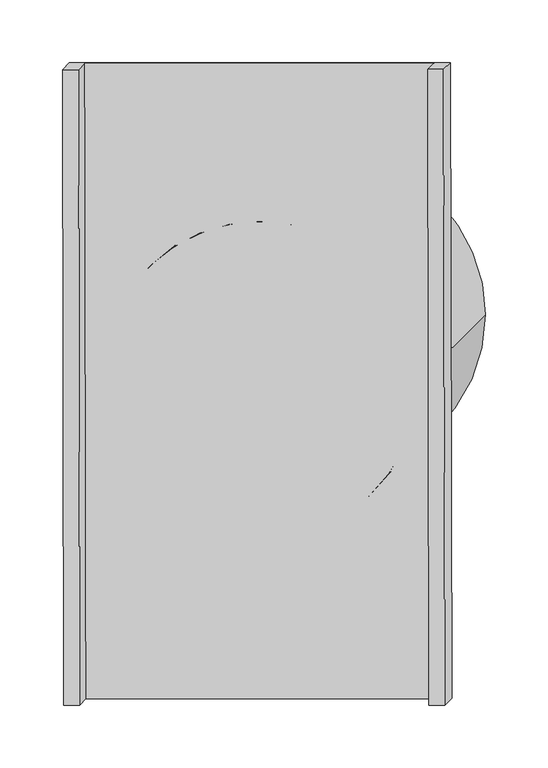
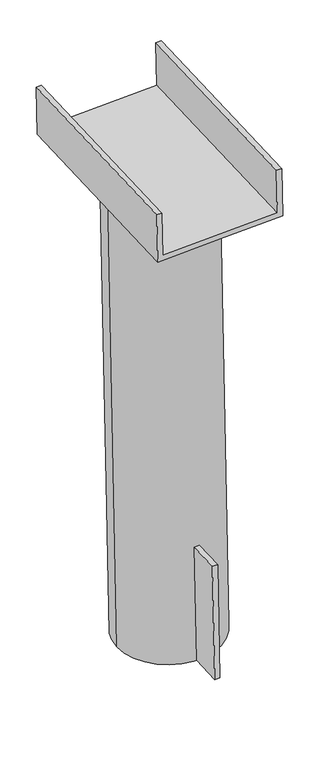
"""IFC4 building model written with IfcOpenShell, lengths in millimetres: proxy geometry."""

from ifc_helpers import new_model, si_unit, point, frame, frame_2d, origin, place, context, project, spatial, polyline, circle_curve, trimmed, segment, composite_curve, outline, extrude, source, transform, mapped, element, save


def generic_models_5685a7fc(model_context):
    return source(origin(), model_context, "Body", "SweptSolid", [
        extrude(outline(polyline([(0.0, -12.7), (0.0, 0.0), (76.1999999, 0.0), (76.1999999, -12.7), (0.0, -12.7)])), frame((23.1821625, -173.8842049, 2887.802178), z_axis=(-0.04323012323297138, -0.043270651097915135, 0.998127650753562), x_axis=(-0.0018723492464439717, 0.9990633867545955, 0.04323012323295927)), (0.0, 0.0, 1.0), 304.8),
        extrude(outline(polyline([(-152.4000001, 0.0), (0.0, 0.0), (152.4, 0.0), (152.4, -127.0), (139.7, -127.0), (139.6999999, -12.7), (-139.7, -12.7), (-139.7, -127.0), (-152.4, -127.0), (-152.4000001, 0.0)])), frame((-23.0848359, -277.3922028, 4102.7980882), z_axis=(-0.0018723492464378063, 0.9990633867545954, 0.0432301232329646), x_axis=(0.9990633867545955, 0.0, 0.04327065109791661)), (0.0, 0.0, 1.0), 508.0),
        extrude(outline(composite_curve([segment(trimmed(circle_curve(frame_2d((0.0, -127.0)), 127.0), [point((0.0, -254.0))], [point((0.0, 0.0))], False, "CARTESIAN"), True, "CONTINUOUS"), segment(trimmed(circle_curve(frame_2d((0.0, -127.0)), 127.0), [point((0.0, 0.0))], [point((0.0, -254.0))], False, "CARTESIAN"), True, "CONTINUOUS")], self_intersect=False)), frame((156.0268037, 29.1254753, 2902.3566804), z_axis=(-0.04323012323296148, -0.043270651097917036, 0.9981276507535625), x_axis=(0.0018723492464376692, -0.9990633867545955, -0.043230123232961444)), (0.0, 0.0, 1.0), 1219.2),
    ])


if __name__ == "__main__":
    model = new_model("IFC4")
    model_context = context("Model", 3, world=origin())
    ifc_project = project(units=[si_unit("LENGTHUNIT", "METRE", prefix="MILLI")], contexts=[model_context])
    site = spatial("IfcSite", under=ifc_project)
    building = spatial("IfcBuilding", under=site)
    placement = place(None, origin())
    generic_models_shape = generic_models_5685a7fc(model_context)
    element("IfcBuildingElementProxy", 1, Name="Generic Models", at=placement, inside=building, context=model_context, shape_type="MappedRepresentation", body=[
        mapped(generic_models_shape, transform((0.0, 0.0, 0.0), x_axis=(1.0, 0.0, 0.0), y_axis=(0.0, 1.0, 0.0), z_axis=(0.0, 0.0, 1.0))),
    ])
    save(model, "model.ifc")
